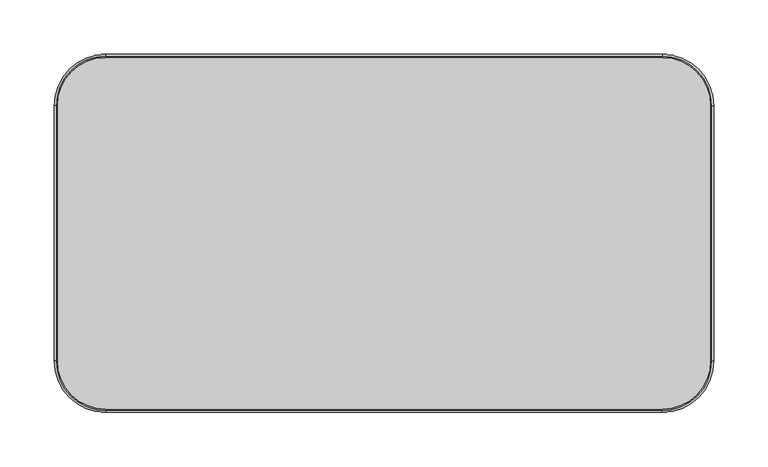
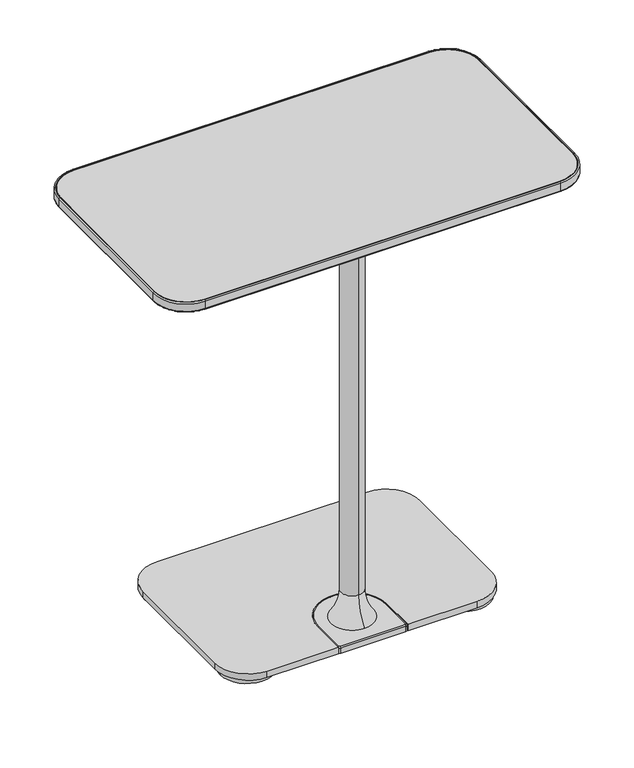
"""IFC4 building model written with IfcOpenShell, lengths in millimetres: furniture geometry."""

from ifc_helpers import new_model, si_unit, point, frame, frame_2d, origin, origin_with_axes, place, context, project, spatial, polyline, circle_curve, ellipse_curve, trimmed, segment, composite_curve, outline, extrude, source, transform, mapped, element, save
from ifc_brep_helpers import plane_surface, cylinder_surface, revolved_surface, advanced_brep


def furniture_b89f0dee(model_context):
    return source(origin(), model_context, "Body", "SolidModel", [
        advanced_brep(
        [(-48.435586, -86.197599, 15.3754683), (-46.9187865, -86.197599, 16.8922679), (50.1397432, -86.197599, 16.8922679), (51.6565428, -86.197599, 15.3754683), (51.6565428, -86.197599, 7.5129953), (-48.435586, -86.197599, 7.5129953), (-48.435586, -135.1065525, 15.3754683), (-46.9187865, -135.1065525, 16.8922679), (-48.435586, -135.1065525, 7.5129953), (-44.9985216, -138.543617, 15.3754683), (48.2194784, -138.543617, 15.3754683), (48.2194784, -137.0268174, 16.8922679), (-44.9985216, -137.0268174, 16.8922679), (-44.9985216, -138.543617, 7.5129953), (48.2194784, -138.543617, 7.5129953), (50.1397432, -135.1065525, 16.8922679), (51.6565428, -135.1065525, 15.3754683), (51.6565428, -135.1065525, 7.5129953)],
        [
            (0, 1, circle_curve(frame((-46.9187865, -86.197599, 15.3754683), z_axis=(0.0, 1.0, 0.0), x_axis=(-1.0, 0.0, 0.0)), 1.5167996)),
            (1, 2, circle_curve(frame((1.6104784, -86.197599, 16.8922679), z_axis=(0.0, 0.0, -1.0), x_axis=(1.0, 0.0, 0.0)), 48.5292649)),
            (2, 3, circle_curve(frame((50.1397432, -86.197599, 15.3754683), z_axis=(0.0, 1.0, 0.0), x_axis=(1.0, 0.0, 0.0)), 1.5167996)),
            (3, 0, circle_curve(frame((1.6104784, -86.197599, 15.3754683), z_axis=(0.0, 0.0, 1.0), x_axis=(1.0, 0.0, 0.0)), 50.0460644)),
            (3, 4),
            (4, 5, circle_curve(frame((1.6104784, -86.197599, 7.5129953), z_axis=(0.0, 0.0, 1.0), x_axis=(1.0, 0.0, 0.0)), 50.0460644)),
            (5, 0),
            (0, 6),
            (6, 7, circle_curve(frame((-46.9187865, -135.1065525, 15.3754683), z_axis=(0.0, 1.0, 0.0), x_axis=(-1.0, 0.0, 0.0)), 1.5167996)),
            (7, 1),
            (5, 8),
            (8, 6),
            (9, 10),
            (10, 11, circle_curve(frame((48.2194784, -137.0268174, 15.3754683), z_axis=(-1.0, 0.0, 0.0), x_axis=(0.0, -1.0, 0.0)), 1.5167996)),
            (11, 12),
            (12, 9, circle_curve(frame((-44.9985216, -137.0268174, 15.3754683), z_axis=(1.0, 0.0, 0.0), x_axis=(0.0, -1.0, 0.0)), 1.5167996)),
            (9, 13),
            (13, 14),
            (14, 10),
            (2, 15),
            (15, 16, circle_curve(frame((50.1397432, -135.1065525, 15.3754683), z_axis=(0.0, 1.0, 0.0), x_axis=(1.0, 0.0, 0.0)), 1.5167996)),
            (16, 3),
            (16, 17),
            (17, 4),
            (6, 9, circle_curve(frame((-44.9985216, -135.1065525, 15.3754683), z_axis=(0.0, 0.0, 1.0), x_axis=(-1.0, 0.0, 0.0)), 3.4370644)),
            (12, 7, circle_curve(frame((-44.9985216, -135.1065525, 16.8922679), z_axis=(0.0, 0.0, -1.0), x_axis=(-1.0, 0.0, 0.0)), 1.9202649)),
            (8, 13, circle_curve(frame((-44.9985216, -135.1065525, 7.5129953), z_axis=(0.0, 0.0, 1.0), x_axis=(-1.0, 0.0, 0.0)), 3.4370644)),
            (11, 15, circle_curve(frame((48.2194784, -135.1065525, 16.8922679), z_axis=(0.0, 0.0, 1.0), x_axis=(0.0, -1.0, 0.0)), 1.9202649)),
            (10, 16, circle_curve(frame((48.2194784, -135.1065525, 15.3754683), z_axis=(0.0, 0.0, 1.0), x_axis=(0.0, -1.0, 0.0)), 3.4370644)),
            (14, 17, circle_curve(frame((48.2194784, -135.1065525, 7.5129953), z_axis=(0.0, 0.0, 1.0), x_axis=(0.0, -1.0, 0.0)), 3.4370644)),
        ],
        [
            revolved_surface(trimmed(ellipse_curve(frame((50.1397432, -86.197599, 15.3754683), z_axis=(0.0, 1.0, 0.0), x_axis=(1.0, 0.0, 0.0)), 1.5167996, 1.5167996), [point((50.1397432, -86.197599, 16.8922679))], [point((51.6565428, -86.197599, 15.3754683))], True, "CARTESIAN"), (1.6104784, -86.197599, 16.8922679), (0.0, 0.0, -1.0)),
            cylinder_surface(frame((1.6104784, -86.197599, 16.8922679), z_axis=(0.0, 0.0, -1.0), x_axis=(1.0, 0.0, 0.0)), 50.0460644),
            cylinder_surface(frame((-46.9187865, -86.197599, 15.3754683), z_axis=(0.0, 1.0, 0.0), x_axis=(-1.0, 0.0, 0.0)), 1.5167996),
            plane_surface(frame((-48.435586, -86.197599, 15.3754683), z_axis=(-1.0, 0.0, 0.0), x_axis=(0.0, -1.0, 0.0))),
            cylinder_surface(frame((-44.9985216, -137.0268174, 15.3754683), z_axis=(-1.0, 0.0, 0.0), x_axis=(0.0, -1.0, 0.0)), 1.5167996),
            plane_surface(frame((-44.9985216, -138.543617, 15.3754683), z_axis=(0.0, -1.0, 0.0), x_axis=(1.0, 0.0, 0.0))),
            cylinder_surface(frame((50.1397432, -135.1065525, 15.3754683), z_axis=(0.0, -1.0, 0.0), x_axis=(1.0, 0.0, 0.0)), 1.5167996),
            plane_surface(frame((51.6565428, -135.1065525, 15.3754683), z_axis=(1.0, 0.0, 0.0), x_axis=(0.0, 1.0, 0.0))),
            revolved_surface(trimmed(ellipse_curve(frame((-46.9187865, -135.1065525, 15.3754683), z_axis=(0.0, -1.0, 0.0), x_axis=(-1.0, 0.0, 0.0)), 1.5167996, 1.5167996), [point((-46.9187865, -135.1065525, 16.8922679))], [point((-48.435586, -135.1065525, 15.3754683))], True, "CARTESIAN"), (-44.9985216, -135.1065525, 16.8922679), (0.0, 0.0, -1.0)),
            cylinder_surface(frame((-44.9985216, -135.1065525, 16.8922679), z_axis=(0.0, 0.0, -1.0), x_axis=(-1.0, 0.0, 0.0)), 3.4370644),
            plane_surface(frame((48.2194784, -135.1065525, 16.8922679), z_axis=(0.0, 0.0, 1.0), x_axis=(0.0, -1.0, 0.0))),
            revolved_surface(trimmed(ellipse_curve(frame((48.2194784, -137.0268174, 15.3754683), z_axis=(1.0, 0.0, 0.0), x_axis=(0.0, -1.0, 0.0)), 1.5167996, 1.5167996), [point((48.2194784, -137.0268174, 16.8922679))], [point((48.2194784, -138.543617, 15.3754683))], True, "CARTESIAN"), (48.2194784, -135.1065525, 16.8922679), (0.0, 0.0, -1.0)),
            cylinder_surface(frame((48.2194784, -135.1065525, 16.8922679), z_axis=(0.0, 0.0, -1.0), x_axis=(0.0, -1.0, 0.0)), 3.4370644),
            plane_surface(frame((48.2194784, -135.1065525, 7.5129953), z_axis=(0.0, 0.0, -1.0), x_axis=(0.0, -1.0, 0.0))),
        ],
        [
            (0, [[1, 2, 3, 4]]),
            (1, [[5, 6, 7, -4]]),
            (2, [[8, 9, 10, -1]]),
            (3, [[11, 12, -8, -7]]),
            (4, [[13, 14, 15, 16]]),
            (5, [[17, 18, 19, -13]]),
            (6, [[20, 21, 22, -3]]),
            (7, [[-22, 23, 24, -5]]),
            (8, [[25, -16, 26, -9]]),
            (9, [[27, -17, -25, -12]]),
            (10, [[-10, -26, -15, 28, -20, -2]]),
            (11, [[29, -21, -28, -14]]),
            (12, [[30, -23, -29, -19]]),
            (13, [[-24, -30, -18, -27, -11, -6]]),
        ],
    ),
        advanced_brep(
        [(0.3050059, -104.0506461, 613.6754053), (0.3050059, -72.1983752, 613.6754053), (0.3050059, -72.1983752, 59.1225811), (0.3050059, -104.0506461, 59.1225811), (0.3050059, -57.1200218, 16.8922679), (0.3050059, -88.1245106, 16.8922679), (0.3050059, -119.1289995, 16.8922679), (130.6684254, -113.5493395, 620.8077946), (140.8284254, -103.3893395, 620.8077946), (140.8284254, 28.6906605, 620.8077946), (130.6684254, 38.8506605, 620.8077946), (-128.4115261, 38.8506605, 620.8077946), (-138.5715261, 28.6906605, 620.8077946), (-138.5715261, -103.3893395, 620.8077946), (-128.4115261, -113.5493395, 620.8077946), (130.6684254, -113.5493395, 613.6754053), (-128.4115261, -113.5493395, 613.6754053), (-138.5715261, -103.3893395, 613.6754053), (-138.5715261, 28.6906605, 613.6754053), (-128.4115261, 38.8506605, 613.6754053), (130.6684254, 38.8506605, 613.6754053), (140.8284254, 28.6906605, 613.6754053), (140.8284254, -103.3893395, 613.6754053)],
        [
            (0, 1, circle_curve(frame((0.3050059, -88.1245106, 613.6754053), z_axis=(0.0, 0.0, -1.0), x_axis=(0.0, -1.0, 0.0)), 15.9261354)),
            (1, 2),
            (2, 3, circle_curve(frame((0.3050059, -88.1245106, 59.1225811), z_axis=(0.0, 0.0, 1.0), x_axis=(0.0, -1.0, 0.0)), 15.9261354)),
            (3, 0),
            (3, 2, circle_curve(frame((0.3050059, -88.1245106, 59.1225811), z_axis=(0.0, 0.0, 1.0), x_axis=(0.0, -1.0, 0.0)), 15.9261354)),
            (1, 0, circle_curve(frame((0.3050059, -88.1245106, 613.6754053), z_axis=(0.0, 0.0, -1.0), x_axis=(0.0, -1.0, 0.0)), 15.9261354)),
            (4, 5),
            (5, 6),
            (6, 4, circle_curve(frame((0.3050059, -88.1245106, 16.8922679), z_axis=(0.0, 0.0, -1.0), x_axis=(0.0, -1.0, 0.0)), 31.0044888)),
            (4, 6, circle_curve(frame((0.3050059, -88.1245106, 16.8922679), z_axis=(0.0, 0.0, -1.0), x_axis=(0.0, -1.0, 0.0)), 31.0044888)),
            (2, 4, circle_curve(frame((0.3050059, -5.5214628, 59.1225811), z_axis=(1.0, 0.0, 0.0), x_axis=(0.0, 1.0, 0.0)), 66.6769124)),
            (6, 3, circle_curve(frame((0.3050059, -170.7275585, 59.1225811), z_axis=(1.0, 0.0, 0.0), x_axis=(0.0, -1.0, 0.0)), 66.6769124)),
            (7, 8, circle_curve(frame((130.6684254, -103.3893395, 620.8077946), z_axis=(0.0, 0.0, 1.0), x_axis=(1.0, 0.0, 0.0)), 10.16)),
            (8, 9),
            (9, 10, circle_curve(frame((130.6684254, 28.6906605, 620.8077946), z_axis=(0.0, 0.0, 1.0), x_axis=(1.0, 0.0, 0.0)), 10.16)),
            (10, 11),
            (11, 12, circle_curve(frame((-128.4115261, 28.6906605, 620.8077946), z_axis=(0.0, 0.0, 1.0), x_axis=(1.0, 0.0, 0.0)), 10.16)),
            (12, 13),
            (13, 14, circle_curve(frame((-128.4115261, -103.3893395, 620.8077946), z_axis=(0.0, 0.0, 1.0), x_axis=(1.0, 0.0, 0.0)), 10.16)),
            (14, 7),
            (15, 16),
            (16, 17, circle_curve(frame((-128.4115261, -103.3893395, 613.6754053), z_axis=(0.0, 0.0, -1.0), x_axis=(1.0, 0.0, 0.0)), 10.16)),
            (17, 18),
            (18, 19, circle_curve(frame((-128.4115261, 28.6906605, 613.6754053), z_axis=(0.0, 0.0, -1.0), x_axis=(1.0, 0.0, 0.0)), 10.16)),
            (19, 20),
            (20, 21, circle_curve(frame((130.6684254, 28.6906605, 613.6754053), z_axis=(0.0, 0.0, -1.0), x_axis=(1.0, 0.0, 0.0)), 10.16)),
            (21, 22),
            (22, 15, circle_curve(frame((130.6684254, -103.3893395, 613.6754053), z_axis=(0.0, 0.0, -1.0), x_axis=(1.0, 0.0, 0.0)), 10.16)),
            (14, 16),
            (15, 7),
            (13, 17),
            (12, 18),
            (11, 19),
            (10, 20),
            (9, 21),
            (8, 22),
        ],
        [
            cylinder_surface(frame((0.3050059, -88.1245106, 738.9341599), z_axis=(0.0, 0.0, 1.0), x_axis=(0.0, -1.0, 0.0)), 15.9261354),
            plane_surface(frame((0.3050059, -88.1245106, 16.8922679), z_axis=(0.0, 0.0, -1.0), x_axis=(0.0, -1.0, 0.0))),
            revolved_surface(trimmed(ellipse_curve(frame((0.3050059, -170.7275585, 59.1225811), z_axis=(1.0, 0.0, 0.0), x_axis=(0.0, -1.0, 0.0)), 66.6769124, 66.6769124), [point((0.3050059, -119.1289995, 16.8922679))], [point((0.3050059, -104.0506461, 59.1225811))], True, "CARTESIAN"), (0.3050059, -88.1245106, 738.9341599), (0.0, 0.0, 1.0)),
            plane_surface(frame((-138.5715261, -113.5493395, 620.8077946), z_axis=(0.0, 0.0, 1.0), x_axis=(-1.0, 0.0, 0.0))),
            plane_surface(frame((-138.5715261, -113.5493395, 613.6754053), z_axis=(0.0, 0.0, -1.0), x_axis=(1.0, 0.0, 0.0))),
            plane_surface(frame((130.6684254, -113.5493395, 620.8077946), z_axis=(0.0, -1.0, 0.0), x_axis=(0.0, 0.0, -1.0))),
            cylinder_surface(frame((-128.4115261, -103.3893395, 613.6754053), z_axis=(0.0, 0.0, 1.0), x_axis=(1.0, 0.0, 0.0)), 10.16),
            plane_surface(frame((-138.5715261, -103.3893395, 620.8077946), z_axis=(-1.0, 0.0, 0.0), x_axis=(0.0, 0.0, -1.0))),
            cylinder_surface(frame((-128.4115261, 28.6906605, 613.6754053), z_axis=(0.0, 0.0, 1.0), x_axis=(1.0, 0.0, 0.0)), 10.16),
            plane_surface(frame((-128.4115261, 38.8506605, 620.8077946), z_axis=(0.0, 1.0, 0.0), x_axis=(0.0, 0.0, -1.0))),
            cylinder_surface(frame((130.6684254, 28.6906605, 613.6754053), z_axis=(0.0, 0.0, 1.0), x_axis=(1.0, 0.0, 0.0)), 10.16),
            plane_surface(frame((140.8284254, 28.6906605, 620.8077946), z_axis=(1.0, 0.0, 0.0), x_axis=(0.0, 0.0, -1.0))),
            cylinder_surface(frame((130.6684254, -103.3893395, 613.6754053), z_axis=(0.0, 0.0, 1.0), x_axis=(1.0, 0.0, 0.0)), 10.16),
        ],
        [
            (0, [[1, 2, 3, 4]]),
            (0, [[5, -2, 6, -4]]),
            (1, [[7, 8, 9]]),
            (1, [[-7, 10, -8]]),
            (2, [[11, -9, 12, -3]]),
            (2, [[-12, -10, -11, -5]]),
            (3, [[13, 14, 15, 16, 17, 18, 19, 20]]),
            (4, [[21, 22, 23, 24, 25, 26, 27, 28], [-6, -1]]),
            (5, [[29, -21, 30, -20]]),
            (6, [[31, -22, -29, -19]]),
            (7, [[32, -23, -31, -18]]),
            (8, [[33, -24, -32, -17]]),
            (9, [[34, -25, -33, -16]]),
            (10, [[35, -26, -34, -15]]),
            (11, [[36, -27, -35, -14]]),
            (12, [[-30, -28, -36, -13]]),
        ],
    ),
        advanced_brep(
        [(-48.435586, -138.1507449, 16.8922679), (-48.435586, -86.197599, 16.8922679), (51.6565428, -86.197599, 16.8922679), (51.6565428, -138.1507449, 16.8922679), (151.8367247, -138.1507449, 16.8922679), (199.4617247, -90.5257449, 16.8922679), (199.4617247, 89.2299982, 16.8922679), (151.8367247, 136.8549982, 16.8922679), (-151.226713, 136.8549982, 16.8922679), (-198.851713, 89.2299982, 16.8922679), (-198.851713, -90.5257449, 16.8922679), (-151.226713, -138.1507449, 16.8922679), (-48.435586, -138.1507449, 7.5129953), (-151.226713, -138.1507449, 7.5129953), (-198.851713, -90.5257449, 7.5129953), (-198.851713, 89.2299982, 7.5129953), (-151.226713, 136.8549982, 7.5129953), (151.8367247, 136.8549982, 7.5129953), (199.4617247, 89.2299982, 7.5129953), (199.4617247, -90.5257449, 7.5129953), (151.8367247, -138.1507449, 7.5129953), (51.6565428, -138.1507449, 7.5129953), (51.6565428, -86.197599, 7.5129953), (-48.435586, -86.197599, 7.5129953)],
        [
            (0, 1),
            (1, 2, circle_curve(frame((1.6104784, -86.197599, 16.8922679), z_axis=(0.0, 0.0, -1.0), x_axis=(1.0, 0.0, 0.0)), 50.0460644)),
            (2, 3),
            (3, 4),
            (4, 5, circle_curve(frame((151.8367247, -90.5257449, 16.8922679), z_axis=(0.0, 0.0, 1.0), x_axis=(1.0, 0.0, 0.0)), 47.625)),
            (5, 6),
            (6, 7, circle_curve(frame((151.8367247, 89.2299982, 16.8922679), z_axis=(0.0, 0.0, 1.0), x_axis=(1.0, 0.0, 0.0)), 47.625)),
            (7, 8),
            (8, 9, circle_curve(frame((-151.226713, 89.2299982, 16.8922679), z_axis=(0.0, 0.0, 1.0), x_axis=(1.0, 0.0, 0.0)), 47.625)),
            (9, 10),
            (10, 11, circle_curve(frame((-151.226713, -90.5257449, 16.8922679), z_axis=(0.0, 0.0, 1.0), x_axis=(1.0, 0.0, 0.0)), 47.625)),
            (11, 0),
            (12, 13),
            (13, 14, circle_curve(frame((-151.226713, -90.5257449, 7.5129953), z_axis=(0.0, 0.0, -1.0), x_axis=(1.0, 0.0, 0.0)), 47.625)),
            (14, 15),
            (15, 16, circle_curve(frame((-151.226713, 89.2299982, 7.5129953), z_axis=(0.0, 0.0, -1.0), x_axis=(1.0, 0.0, 0.0)), 47.625)),
            (16, 17),
            (17, 18, circle_curve(frame((151.8367247, 89.2299982, 7.5129953), z_axis=(0.0, 0.0, -1.0), x_axis=(1.0, 0.0, 0.0)), 47.625)),
            (18, 19),
            (19, 20, circle_curve(frame((151.8367247, -90.5257449, 7.5129953), z_axis=(0.0, 0.0, -1.0), x_axis=(1.0, 0.0, 0.0)), 47.625)),
            (20, 21),
            (21, 22),
            (22, 23, circle_curve(frame((1.6104784, -86.197599, 7.5129953), z_axis=(0.0, 0.0, 1.0), x_axis=(1.0, 0.0, 0.0)), 50.0460644)),
            (23, 12),
            (11, 13),
            (12, 0),
            (10, 14),
            (9, 15),
            (8, 16),
            (7, 17),
            (6, 18),
            (5, 19),
            (4, 20),
            (3, 21),
            (2, 22),
            (1, 23),
        ],
        [
            plane_surface(frame((-151.226713, -138.1507449, 16.8922679), z_axis=(0.0, 0.0, 1.0), x_axis=(-1.0, 0.0, 0.0))),
            plane_surface(frame((-151.226713, -138.1507449, 7.5129953), z_axis=(0.0, 0.0, -1.0), x_axis=(1.0, 0.0, 0.0))),
            plane_surface(frame((-48.435586, -138.1507449, 16.8922679), z_axis=(0.0, -1.0, 0.0), x_axis=(0.0, 0.0, -1.0))),
            cylinder_surface(frame((-151.226713, -90.5257449, 7.5129953), z_axis=(0.0, 0.0, 1.0), x_axis=(1.0, 0.0, 0.0)), 47.625),
            plane_surface(frame((-198.851713, -90.5257449, 16.8922679), z_axis=(-1.0, 0.0, 0.0), x_axis=(0.0, 0.0, -1.0))),
            cylinder_surface(frame((-151.226713, 89.2299982, 7.5129953), z_axis=(0.0, 0.0, 1.0), x_axis=(1.0, 0.0, 0.0)), 47.625),
            plane_surface(frame((-151.226713, 136.8549982, 16.8922679), z_axis=(0.0, 1.0, 0.0), x_axis=(0.0, 0.0, -1.0))),
            cylinder_surface(frame((151.8367247, 89.2299982, 7.5129953), z_axis=(0.0, 0.0, 1.0), x_axis=(1.0, 0.0, 0.0)), 47.625),
            plane_surface(frame((199.4617247, 89.2299982, 16.8922679), z_axis=(1.0, 0.0, 0.0), x_axis=(0.0, 0.0, -1.0))),
            cylinder_surface(frame((151.8367247, -90.5257449, 7.5129953), z_axis=(0.0, 0.0, 1.0), x_axis=(1.0, 0.0, 0.0)), 47.625),
            plane_surface(frame((151.8367247, -138.1507449, 16.8922679), z_axis=(0.0, -1.0, 0.0), x_axis=(0.0, 0.0, -1.0))),
            plane_surface(frame((51.6565428, -138.1507449, 16.8922679), z_axis=(-1.0, 0.0, 0.0), x_axis=(0.0, 0.0, -1.0))),
            revolved_surface(polyline([(51.6565428, -86.197599, 7.5129953), (51.6565428, -86.197599, 16.8922679)]), (1.6104784, -86.197599, 7.5129953), (0.0, 0.0, -1.0)),
            plane_surface(frame((-48.435586, -86.197599, 16.8922679), z_axis=(1.0, 0.0, 0.0), x_axis=(0.0, 0.0, -1.0))),
        ],
        [
            (0, [[1, 2, 3, 4, 5, 6, 7, 8, 9, 10, 11, 12]]),
            (1, [[13, 14, 15, 16, 17, 18, 19, 20, 21, 22, 23, 24]]),
            (2, [[25, -13, 26, -12]]),
            (3, [[27, -14, -25, -11]]),
            (4, [[28, -15, -27, -10]]),
            (5, [[29, -16, -28, -9]]),
            (6, [[30, -17, -29, -8]]),
            (7, [[31, -18, -30, -7]]),
            (8, [[32, -19, -31, -6]]),
            (9, [[33, -20, -32, -5]]),
            (10, [[34, -21, -33, -4]]),
            (11, [[35, -22, -34, -3]]),
            (12, [[36, -23, -35, -2]]),
            (13, [[-26, -24, -36, -1]]),
        ],
    ),
        advanced_brep(
        [(-303.6671081, -117.6038988, 633.3581839), (-303.6671081, -117.6038988, 622.5894697), (-256.1710069, -165.1, 622.5894697), (-256.1710069, -165.1, 633.3581839), (-300.6210069, -117.6038988, 620.8077946), (-300.6210069, -117.6038988, 635.031781), (-256.1710069, -162.0538988, 635.031781), (-256.1710069, -162.0538988, 620.8077946), (-303.6671081, 117.6038988, 633.3581839), (-303.6671081, 117.6038988, 622.5894697), (-300.6210069, 117.6038988, 620.8077946), (-300.6210069, 117.6038988, 635.031781), (-256.1710069, 165.1, 633.3581839), (-256.1710069, 165.1, 622.5894697), (-256.1710069, 162.0538988, 620.8077946), (-256.1710069, 162.0538988, 635.031781), (256.7810186, 165.1, 633.3581839), (256.7810186, 165.1, 622.5894697), (256.7810186, 162.0538988, 620.8077946), (256.7810186, 162.0538988, 635.031781), (304.2771199, 117.6038988, 633.3581839), (304.2771199, 117.6038988, 622.5894697), (301.2310186, 117.6038988, 620.8077946), (301.2310186, 117.6038988, 635.031781), (304.2771199, -117.6038988, 633.3581839), (304.2771199, -117.6038988, 622.5894697), (301.2310186, -117.6038988, 620.8077946), (301.2310186, -117.6038988, 635.031781), (256.7810186, -165.1, 633.3581839), (256.7810186, -165.1, 622.5894697), (256.7810186, -162.0538988, 620.8077946), (256.7810186, -162.0538988, 635.031781), (-301.885433, -117.6038988, 620.8077946), (-256.1710069, -163.3183249, 620.8077946), (-301.9935111, -117.6038988, 635.031781), (-256.1710069, -163.4264029, 635.031781), (-301.885433, 117.6038988, 620.8077946), (-301.9935111, 117.6038988, 635.031781), (-256.1710069, 163.3183249, 620.8077946), (-256.1710069, 163.4264029, 635.031781), (256.7810186, 163.3183249, 620.8077946), (256.7810186, 163.4264029, 635.031781), (302.4954448, 117.6038988, 620.8077946), (302.6035228, 117.6038988, 635.031781), (302.4954448, -117.6038988, 620.8077946), (302.6035228, -117.6038988, 635.031781), (256.7810186, -163.3183249, 620.8077946), (256.7810186, -163.4264029, 635.031781)],
        [
            (0, 1),
            (1, 2, circle_curve(frame((-256.1710069, -117.6038988, 622.5894697), z_axis=(0.0, 0.0, 1.0), x_axis=(0.0, -1.0, 0.0)), 47.4961012)),
            (2, 3),
            (3, 0, circle_curve(frame((-256.1710069, -117.6038988, 633.3581839), z_axis=(0.0, 0.0, -1.0), x_axis=(0.0, -1.0, 0.0)), 47.4961012)),
            (4, 5),
            (5, 6, circle_curve(frame((-256.1710069, -117.6038988, 635.031781), z_axis=(0.0, 0.0, 1.0), x_axis=(0.0, -1.0, 0.0)), 44.45)),
            (6, 7),
            (7, 4, circle_curve(frame((-256.1710069, -117.6038988, 620.8077946), z_axis=(0.0, 0.0, -1.0), x_axis=(0.0, -1.0, 0.0)), 44.45)),
            (0, 8),
            (8, 9),
            (9, 1),
            (4, 10),
            (10, 11),
            (11, 5),
            (12, 13),
            (13, 9, circle_curve(frame((-256.1710069, 117.6038988, 622.5894697), z_axis=(0.0, 0.0, 1.0), x_axis=(-1.0, 0.0, 0.0)), 47.4961012)),
            (8, 12, circle_curve(frame((-256.1710069, 117.6038988, 633.3581839), z_axis=(0.0, 0.0, -1.0), x_axis=(-1.0, 0.0, 0.0)), 47.4961012)),
            (14, 15),
            (15, 11, circle_curve(frame((-256.1710069, 117.6038988, 635.031781), z_axis=(0.0, 0.0, 1.0), x_axis=(-1.0, 0.0, 0.0)), 44.45)),
            (10, 14, circle_curve(frame((-256.1710069, 117.6038988, 620.8077946), z_axis=(0.0, 0.0, -1.0), x_axis=(-1.0, 0.0, 0.0)), 44.45)),
            (12, 16),
            (16, 17),
            (17, 13),
            (14, 18),
            (18, 19),
            (19, 15),
            (20, 21),
            (21, 17, circle_curve(frame((256.7810186, 117.6038988, 622.5894697), z_axis=(0.0, 0.0, 1.0), x_axis=(0.0, 1.0, 0.0)), 47.4961012)),
            (16, 20, circle_curve(frame((256.7810186, 117.6038988, 633.3581839), z_axis=(0.0, 0.0, -1.0), x_axis=(0.0, 1.0, 0.0)), 47.4961012)),
            (22, 23),
            (23, 19, circle_curve(frame((256.7810186, 117.6038988, 635.031781), z_axis=(0.0, 0.0, 1.0), x_axis=(0.0, 1.0, 0.0)), 44.45)),
            (18, 22, circle_curve(frame((256.7810186, 117.6038988, 620.8077946), z_axis=(0.0, 0.0, -1.0), x_axis=(0.0, 1.0, 0.0)), 44.45)),
            (20, 24),
            (24, 25),
            (25, 21),
            (22, 26),
            (26, 27),
            (27, 23),
            (28, 29),
            (29, 25, circle_curve(frame((256.7810186, -117.6038988, 622.5894697), z_axis=(0.0, 0.0, 1.0), x_axis=(1.0, 0.0, 0.0)), 47.4961012)),
            (24, 28, circle_curve(frame((256.7810186, -117.6038988, 633.3581839), z_axis=(0.0, 0.0, -1.0), x_axis=(1.0, 0.0, 0.0)), 47.4961012)),
            (30, 31),
            (31, 27, circle_curve(frame((256.7810186, -117.6038988, 635.031781), z_axis=(0.0, 0.0, 1.0), x_axis=(1.0, 0.0, 0.0)), 44.45)),
            (26, 30, circle_curve(frame((256.7810186, -117.6038988, 620.8077946), z_axis=(0.0, 0.0, -1.0), x_axis=(1.0, 0.0, 0.0)), 44.45)),
            (28, 3),
            (2, 29),
            (30, 7),
            (6, 31),
            (1, 32, circle_curve(frame((-301.885433, -117.6038988, 622.5894697), z_axis=(0.0, -1.0, 0.0), x_axis=(1.0, 0.0, 0.0)), 1.7816751)),
            (32, 33, circle_curve(frame((-256.1710069, -117.6038988, 620.8077946), z_axis=(0.0, 0.0, 1.0), x_axis=(0.0, -1.0, 0.0)), 45.7144261)),
            (33, 2, circle_curve(frame((-256.1710069, -163.3183249, 622.5894697), z_axis=(-1.0, 0.0, 0.0), x_axis=(0.0, 1.0, 0.0)), 1.7816751)),
            (34, 0, circle_curve(frame((-301.9935111, -117.6038988, 633.3581839), z_axis=(0.0, -1.0, 0.0), x_axis=(1.0, 0.0, 0.0)), 1.6735971)),
            (3, 35, circle_curve(frame((-256.1710069, -163.4264029, 633.3581839), z_axis=(-1.0, 0.0, 0.0), x_axis=(0.0, 1.0, 0.0)), 1.6735971)),
            (35, 34, circle_curve(frame((-256.1710069, -117.6038988, 635.031781), z_axis=(0.0, 0.0, -1.0), x_axis=(0.0, -1.0, 0.0)), 45.8225042)),
            (9, 36, circle_curve(frame((-301.885433, 117.6038988, 622.5894697), z_axis=(0.0, -1.0, 0.0), x_axis=(1.0, 0.0, 0.0)), 1.7816751)),
            (36, 32),
            (34, 37),
            (37, 8, circle_curve(frame((-301.9935111, 117.6038988, 633.3581839), z_axis=(0.0, -1.0, 0.0), x_axis=(1.0, 0.0, 0.0)), 1.6735971)),
            (13, 38, circle_curve(frame((-256.1710069, 163.3183249, 622.5894697), z_axis=(-1.0, 0.0, 0.0), x_axis=(0.0, -1.0, 0.0)), 1.7816751)),
            (38, 36, circle_curve(frame((-256.1710069, 117.6038988, 620.8077946), z_axis=(0.0, 0.0, 1.0), x_axis=(-1.0, 0.0, 0.0)), 45.7144261)),
            (39, 12, circle_curve(frame((-256.1710069, 163.4264029, 633.3581839), z_axis=(-1.0, 0.0, 0.0), x_axis=(0.0, -1.0, 0.0)), 1.6735971)),
            (37, 39, circle_curve(frame((-256.1710069, 117.6038988, 635.031781), z_axis=(0.0, 0.0, -1.0), x_axis=(-1.0, 0.0, 0.0)), 45.8225042)),
            (17, 40, circle_curve(frame((256.7810186, 163.3183249, 622.5894697), z_axis=(-1.0, 0.0, 0.0), x_axis=(0.0, -1.0, 0.0)), 1.7816751)),
            (40, 38),
            (39, 41),
            (41, 16, circle_curve(frame((256.7810186, 163.4264029, 633.3581839), z_axis=(-1.0, 0.0, 0.0), x_axis=(0.0, -1.0, 0.0)), 1.6735971)),
            (21, 42, circle_curve(frame((302.4954448, 117.6038988, 622.5894697), z_axis=(0.0, 1.0, 0.0), x_axis=(-1.0, 0.0, 0.0)), 1.7816751)),
            (42, 40, circle_curve(frame((256.7810186, 117.6038988, 620.8077946), z_axis=(0.0, 0.0, 1.0), x_axis=(0.0, 1.0, 0.0)), 45.7144261)),
            (43, 20, circle_curve(frame((302.6035228, 117.6038988, 633.3581839), z_axis=(0.0, 1.0, 0.0), x_axis=(-1.0, 0.0, 0.0)), 1.6735971)),
            (41, 43, circle_curve(frame((256.7810186, 117.6038988, 635.031781), z_axis=(0.0, 0.0, -1.0), x_axis=(0.0, 1.0, 0.0)), 45.8225042)),
            (25, 44, circle_curve(frame((302.4954448, -117.6038988, 622.5894697), z_axis=(0.0, 1.0, 0.0), x_axis=(-1.0, 0.0, 0.0)), 1.7816751)),
            (44, 42),
            (43, 45),
            (45, 24, circle_curve(frame((302.6035228, -117.6038988, 633.3581839), z_axis=(0.0, 1.0, 0.0), x_axis=(-1.0, 0.0, 0.0)), 1.6735971)),
            (29, 46, circle_curve(frame((256.7810186, -163.3183249, 622.5894697), z_axis=(1.0, 0.0, 0.0), x_axis=(0.0, 1.0, 0.0)), 1.7816751)),
            (46, 44, circle_curve(frame((256.7810186, -117.6038988, 620.8077946), z_axis=(0.0, 0.0, 1.0), x_axis=(1.0, 0.0, 0.0)), 45.7144261)),
            (47, 28, circle_curve(frame((256.7810186, -163.4264029, 633.3581839), z_axis=(1.0, 0.0, 0.0), x_axis=(0.0, 1.0, 0.0)), 1.6735971)),
            (45, 47, circle_curve(frame((256.7810186, -117.6038988, 635.031781), z_axis=(0.0, 0.0, -1.0), x_axis=(1.0, 0.0, 0.0)), 45.8225042)),
            (46, 33),
            (47, 35),
        ],
        [
            cylinder_surface(frame((-256.1710069, -117.6038988, 0.0), z_axis=(0.0, 0.0, 1.0), x_axis=(0.0, -1.0, 0.0)), 47.4961012),
            revolved_surface(polyline([(-256.1710069, -162.0538988, 635.031781), (-256.1710069, -162.0538988, 620.8077946)]), (-256.1710069, -117.6038988, 0.0), (0.0, 0.0, 1.0)),
            plane_surface(frame((-303.6671081, -117.6038988, 622.5894697), z_axis=(-1.0, 0.0, 0.0), x_axis=(0.0, 1.0, 0.0))),
            plane_surface(frame((-300.6210069, -117.6038988, 635.031781), z_axis=(1.0, 0.0, 0.0), x_axis=(0.0, 1.0, 0.0))),
            cylinder_surface(frame((-256.1710069, 117.6038988, 0.0), z_axis=(0.0, 0.0, 1.0), x_axis=(-1.0, 0.0, 0.0)), 47.4961012),
            revolved_surface(polyline([(-300.6210069, 117.6038988, 635.031781), (-300.6210069, 117.6038988, 620.8077946)]), (-256.1710069, 117.6038988, 0.0), (0.0, 0.0, 1.0)),
            plane_surface(frame((-256.1710069, 165.1, 622.5894697), z_axis=(0.0, 1.0, 0.0), x_axis=(1.0, 0.0, 0.0))),
            plane_surface(frame((-256.1710069, 162.0538988, 635.031781), z_axis=(0.0, -1.0, 0.0), x_axis=(1.0, 0.0, 0.0))),
            cylinder_surface(frame((256.7810186, 117.6038988, 0.0), z_axis=(0.0, 0.0, 1.0), x_axis=(0.0, 1.0, 0.0)), 47.4961012),
            revolved_surface(polyline([(256.7810186, 162.0538988, 635.031781), (256.7810186, 162.0538988, 620.8077946)]), (256.7810186, 117.6038988, 0.0), (0.0, 0.0, 1.0)),
            plane_surface(frame((304.2771199, 117.6038988, 622.5894697), z_axis=(1.0, 0.0, 0.0), x_axis=(0.0, -1.0, 0.0))),
            plane_surface(frame((301.2310186, 117.6038988, 635.031781), z_axis=(-1.0, 0.0, 0.0), x_axis=(0.0, -1.0, 0.0))),
            cylinder_surface(frame((256.7810186, -117.6038988, 0.0), z_axis=(0.0, 0.0, 1.0), x_axis=(1.0, 0.0, 0.0)), 47.4961012),
            revolved_surface(polyline([(301.23101859999997, -117.6038988, 635.031781), (301.23101859999997, -117.6038988, 620.8077946)]), (256.7810186, -117.6038988, 0.0), (0.0, 0.0, 1.0)),
            plane_surface(frame((256.7810186, -165.1, 622.5894697), z_axis=(0.0, -1.0, 0.0), x_axis=(-1.0, 0.0, 0.0))),
            plane_surface(frame((256.7810186, -162.0538988, 635.031781), z_axis=(0.0, 1.0, 0.0), x_axis=(-1.0, 0.0, 0.0))),
            revolved_surface(trimmed(ellipse_curve(frame((-256.1710069, -163.3183249, 622.5894697), z_axis=(-1.0, 0.0, 0.0), x_axis=(0.0, 1.0, 0.0)), 1.7816751, 1.7816751), [point((-256.1710069, -163.3183249, 620.8077946))], [point((-256.1710069, -165.1, 622.5894697))], True, "CARTESIAN"), (-256.1710069, -117.6038988, 0.0), (0.0, 0.0, 1.0)),
            revolved_surface(trimmed(ellipse_curve(frame((-256.1710069, -163.4264029, 633.3581839), z_axis=(-1.0, 0.0, 0.0), x_axis=(0.0, 1.0, 0.0)), 1.6735971, 1.6735971), [point((-256.1710069, -165.1, 633.3581839))], [point((-256.1710069, -163.4264029, 635.031781))], True, "CARTESIAN"), (-256.1710069, -117.6038988, 0.0), (0.0, 0.0, 1.0)),
            cylinder_surface(frame((-301.885433, -117.6038988, 622.5894697), z_axis=(0.0, -1.0, 0.0), x_axis=(1.0, 0.0, 0.0)), 1.7816751),
            cylinder_surface(frame((-301.9935111, -117.6038988, 633.3581839), z_axis=(0.0, -1.0, 0.0), x_axis=(1.0, 0.0, 0.0)), 1.6735971),
            revolved_surface(trimmed(ellipse_curve(frame((-301.885433, 117.6038988, 622.5894697), z_axis=(0.0, 1.0, 0.0), x_axis=(1.0, 0.0, 0.0)), 1.7816751, 1.7816751), [point((-301.885433, 117.6038988, 620.8077946))], [point((-303.6671081, 117.6038988, 622.5894697))], True, "CARTESIAN"), (-256.1710069, 117.6038988, 0.0), (0.0, 0.0, 1.0)),
            revolved_surface(trimmed(ellipse_curve(frame((-301.9935111, 117.6038988, 633.3581839), z_axis=(0.0, 1.0, 0.0), x_axis=(1.0, 0.0, 0.0)), 1.6735971, 1.6735971), [point((-303.6671081, 117.6038988, 633.3581839))], [point((-301.9935111, 117.6038988, 635.031781))], True, "CARTESIAN"), (-256.1710069, 117.6038988, 0.0), (0.0, 0.0, 1.0)),
            cylinder_surface(frame((-256.1710069, 163.3183249, 622.5894697), z_axis=(-1.0, 0.0, 0.0), x_axis=(0.0, -1.0, 0.0)), 1.7816751),
            cylinder_surface(frame((-256.1710069, 163.4264029, 633.3581839), z_axis=(-1.0, 0.0, 0.0), x_axis=(0.0, -1.0, 0.0)), 1.6735971),
            revolved_surface(trimmed(ellipse_curve(frame((256.7810186, 163.3183249, 622.5894697), z_axis=(1.0, 0.0, 0.0), x_axis=(0.0, -1.0, 0.0)), 1.7816751, 1.7816751), [point((256.7810186, 163.3183249, 620.8077946))], [point((256.7810186, 165.1, 622.5894697))], True, "CARTESIAN"), (256.7810186, 117.6038988, 0.0), (0.0, 0.0, 1.0)),
            revolved_surface(trimmed(ellipse_curve(frame((256.7810186, 163.4264029, 633.3581839), z_axis=(1.0, 0.0, 0.0), x_axis=(0.0, -1.0, 0.0)), 1.6735971, 1.6735971), [point((256.7810186, 165.1, 633.3581839))], [point((256.7810186, 163.4264029, 635.031781))], True, "CARTESIAN"), (256.7810186, 117.6038988, 0.0), (0.0, 0.0, 1.0)),
            cylinder_surface(frame((302.4954448, 117.6038988, 622.5894697), z_axis=(0.0, 1.0, 0.0), x_axis=(-1.0, 0.0, 0.0)), 1.7816751),
            cylinder_surface(frame((302.6035228, 117.6038988, 633.3581839), z_axis=(0.0, 1.0, 0.0), x_axis=(-1.0, 0.0, 0.0)), 1.6735971),
            revolved_surface(trimmed(ellipse_curve(frame((302.4954448, -117.6038988, 622.5894697), z_axis=(0.0, -1.0, 0.0), x_axis=(-1.0, 0.0, 0.0)), 1.7816751, 1.7816751), [point((302.4954448, -117.6038988, 620.8077946))], [point((304.2771199, -117.6038988, 622.5894697))], True, "CARTESIAN"), (256.7810186, -117.6038988, 0.0), (0.0, 0.0, 1.0)),
            revolved_surface(trimmed(ellipse_curve(frame((302.6035228, -117.6038988, 633.3581839), z_axis=(0.0, -1.0, 0.0), x_axis=(-1.0, 0.0, 0.0)), 1.6735971, 1.6735971), [point((304.2771199, -117.6038988, 633.3581839))], [point((302.6035228, -117.6038988, 635.031781))], True, "CARTESIAN"), (256.7810186, -117.6038988, 0.0), (0.0, 0.0, 1.0)),
            plane_surface(frame((256.7810186, -162.0538988, 620.8077946), z_axis=(0.0, 0.0, -1.0), x_axis=(-1.0, 0.0, 0.0))),
            cylinder_surface(frame((256.7810186, -163.3183249, 622.5894697), z_axis=(1.0, 0.0, 0.0), x_axis=(0.0, 1.0, 0.0)), 1.7816751),
            cylinder_surface(frame((256.7810186, -163.4264029, 633.3581839), z_axis=(1.0, 0.0, 0.0), x_axis=(0.0, 1.0, 0.0)), 1.6735971),
            plane_surface(frame((256.7810186, -163.4264029, 635.031781), z_axis=(0.0, 0.0, 1.0), x_axis=(-1.0, 0.0, 0.0))),
        ],
        [
            (0, [[1, 2, 3, 4]]),
            (1, [[5, 6, 7, 8]]),
            (2, [[9, 10, 11, -1]]),
            (3, [[12, 13, 14, -5]]),
            (4, [[15, 16, -10, 17]]),
            (5, [[18, 19, -13, 20]]),
            (6, [[21, 22, 23, -15]]),
            (7, [[24, 25, 26, -18]]),
            (8, [[27, 28, -22, 29]]),
            (9, [[30, 31, -25, 32]]),
            (10, [[33, 34, 35, -27]]),
            (11, [[36, 37, 38, -30]]),
            (12, [[39, 40, -34, 41]]),
            (13, [[42, 43, -37, 44]]),
            (14, [[45, -3, 46, -39]]),
            (15, [[47, -7, 48, -42]]),
            (16, [[49, 50, 51, -2]]),
            (17, [[52, -4, 53, 54]]),
            (18, [[-11, 55, 56, -49]]),
            (19, [[57, 58, -9, -52]]),
            (20, [[59, 60, -55, -16]]),
            (21, [[61, -17, -58, 62]]),
            (22, [[-23, 63, 64, -59]]),
            (23, [[65, 66, -21, -61]]),
            (24, [[67, 68, -63, -28]]),
            (25, [[69, -29, -66, 70]]),
            (26, [[-35, 71, 72, -67]]),
            (27, [[73, 74, -33, -69]]),
            (28, [[75, 76, -71, -40]]),
            (29, [[77, -41, -74, 78]]),
            (30, [[-50, -56, -60, -64, -68, -72, -76, 79], [-32, -24, -20, -12, -8, -47, -44, -36]]),
            (31, [[-46, -51, -79, -75]]),
            (32, [[80, -53, -45, -77]]),
            (33, [[-70, -65, -62, -57, -54, -80, -78, -73], [-6, -14, -19, -26, -31, -38, -43, -48]]),
        ],
    ),
        extrude(outline(composite_curve([segment(polyline([(256.7810186, -162.0538988), (-256.1710069, -162.0538988)]), True, "CONTINUOUS"), segment(trimmed(circle_curve(frame_2d((-256.1710069, -117.6038988)), 44.45), [point((-256.1710069, -162.0538988))], [point((-300.6210069, -117.6038988))], False, "CARTESIAN"), True, "CONTINUOUS"), segment(polyline([(-300.6210069, -117.6038988), (-300.6210069, 117.6038988)]), True, "CONTINUOUS"), segment(trimmed(circle_curve(frame_2d((-256.1710069, 117.6038988)), 44.45), [point((-300.6210069, 117.6038988))], [point((-256.1710069, 162.0538988))], False, "CARTESIAN"), True, "CONTINUOUS"), segment(polyline([(-256.1710069, 162.0538988), (256.7810186, 162.0538988)]), True, "CONTINUOUS"), segment(trimmed(circle_curve(frame_2d((256.7810186, 117.6038988)), 44.45), [point((256.7810186, 162.0538988))], [point((301.2310186, 117.6038988))], False, "CARTESIAN"), True, "CONTINUOUS"), segment(polyline([(301.2310186, 117.6038988), (301.2310186, -117.6038988)]), True, "CONTINUOUS"), segment(trimmed(circle_curve(frame_2d((256.7810186, -117.6038988)), 44.45), [point((301.2310186, -117.6038988))], [point((256.7810186, -162.0538988))], False, "CARTESIAN"), True, "CONTINUOUS")], self_intersect=False)), frame((0.0, 0.0, 620.8077946), z_axis=(0.0, 0.0, 1.0), x_axis=(1.0, 0.0, 0.0)), (0.0, 0.0, 1.0), 14.2239864),
        extrude(outline(composite_curve([segment(trimmed(circle_curve(frame_2d((-155.7760334, -95.0805112)), 38.1), [point((-193.8760334, -95.0805112))], [point((-117.6760334, -95.0805112))], False, "CARTESIAN"), True, "CONTINUOUS"), segment(trimmed(circle_curve(frame_2d((-155.7760334, -95.0805112)), 38.1), [point((-117.6760334, -95.0805112))], [point((-193.8760334, -95.0805112))], False, "CARTESIAN"), True, "CONTINUOUS")], self_intersect=False)), origin_with_axes(), (0.0, 0.0, 1.0), 7.5129953),
        extrude(outline(composite_curve([segment(trimmed(circle_curve(frame_2d((156.3860451, -95.0805112)), 38.1), [point((118.2860451, -95.0805112))], [point((194.4860451, -95.0805112))], False, "CARTESIAN"), True, "CONTINUOUS"), segment(trimmed(circle_curve(frame_2d((156.3860451, -95.0805112)), 38.1), [point((194.4860451, -95.0805112))], [point((118.2860451, -95.0805112))], False, "CARTESIAN"), True, "CONTINUOUS")], self_intersect=False)), origin_with_axes(), (0.0, 0.0, 1.0), 7.5129953),
        extrude(outline(composite_curve([segment(trimmed(circle_curve(frame_2d((156.3860451, 93.7847644)), 38.1), [point((118.2860451, 93.7847644))], [point((194.4860451, 93.7847644))], False, "CARTESIAN"), True, "CONTINUOUS"), segment(trimmed(circle_curve(frame_2d((156.3860451, 93.7847644)), 38.1), [point((194.4860451, 93.7847644))], [point((118.2860451, 93.7847644))], False, "CARTESIAN"), True, "CONTINUOUS")], self_intersect=False)), origin_with_axes(), (0.0, 0.0, 1.0), 7.5129953),
        extrude(outline(composite_curve([segment(trimmed(circle_curve(frame_2d((-155.7760334, 93.7847644)), 38.1), [point((-193.8760334, 93.7847644))], [point((-117.6760334, 93.7847644))], False, "CARTESIAN"), True, "CONTINUOUS"), segment(trimmed(circle_curve(frame_2d((-155.7760334, 93.7847644)), 38.1), [point((-117.6760334, 93.7847644))], [point((-193.8760334, 93.7847644))], False, "CARTESIAN"), True, "CONTINUOUS")], self_intersect=False)), origin_with_axes(), (0.0, 0.0, 1.0), 7.5129953),
    ])


if __name__ == "__main__":
    model = new_model("IFC4")
    model_context = context("Model", 3, world=origin())
    ifc_project = project(units=[si_unit("LENGTHUNIT", "METRE", prefix="MILLI")], contexts=[model_context])
    site = spatial("IfcSite", under=ifc_project)
    building = spatial("IfcBuilding", under=site)
    placement = place(None, origin())
    furniture_shape = furniture_b89f0dee(model_context)
    element("IfcFurniture", 1, at=placement, inside=building, context=model_context, shape_type="MappedRepresentation", body=[
        mapped(furniture_shape, transform((0.0, 0.0, 0.0), x_axis=(1.0, 0.0, 0.0), y_axis=(0.0, 1.0, 0.0), z_axis=(0.0, 0.0, 1.0))),
    ])
    save(model, "model.ifc")
